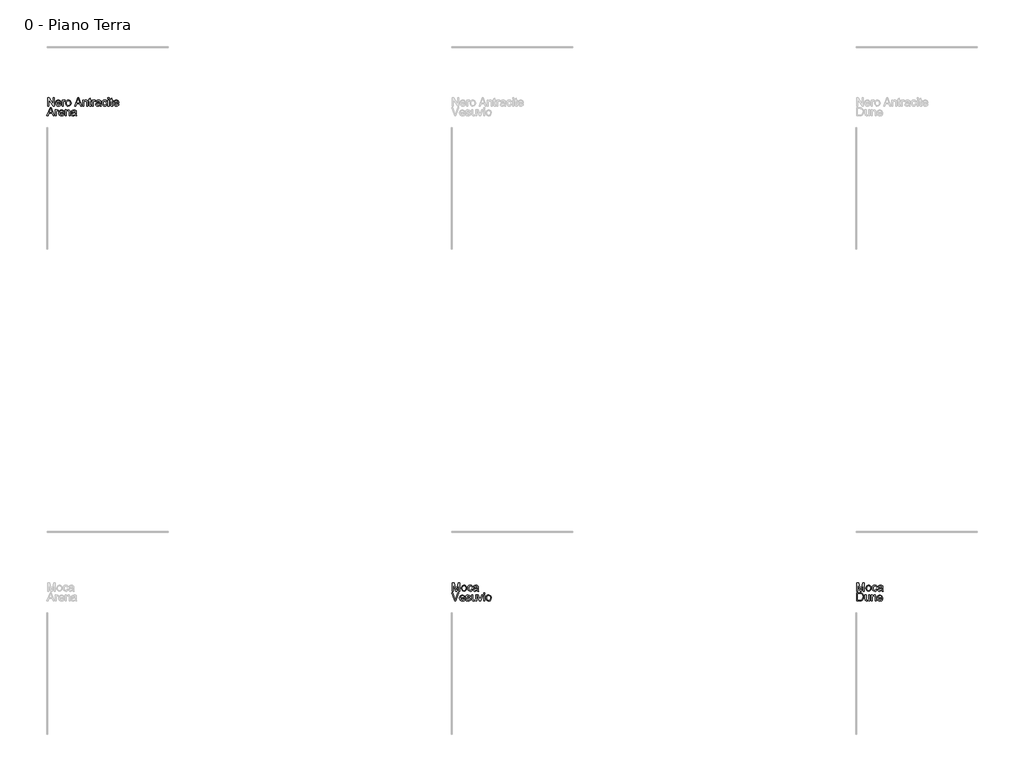
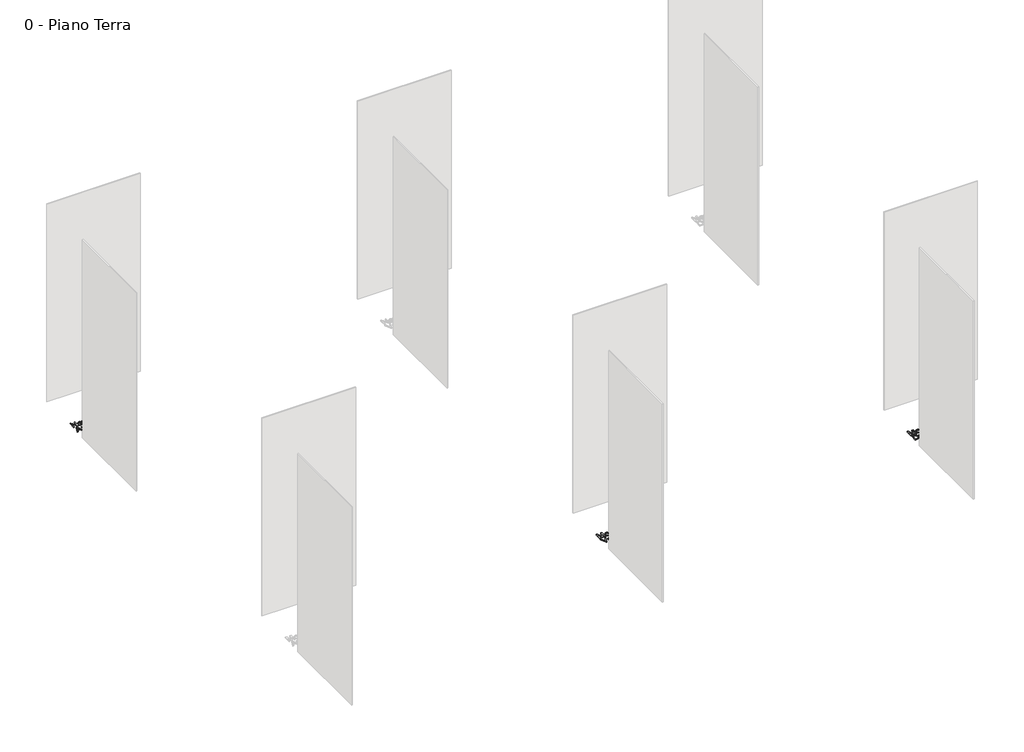
# One storey, part 11 of 35: 3 proxies.
"""IFC4 building model written with IfcOpenShell, lengths in millimetres."""

from ifc_helpers import new_model, si_unit, origin, origin_with_axes, place, context, project, spatial, polyline, outline, extrude, element, save

model = new_model("IFC4")

# Units and contexts
model_context = context("Model", 3, world=origin())
ifc_project = project(units=[si_unit("LENGTHUNIT", "METRE", prefix="MILLI")], contexts=[model_context])

# Site, building, storey
site = spatial("IfcSite", under=ifc_project)
building = spatial("IfcBuilding", under=site)
storey = spatial("IfcBuildingStorey", under=building, Name="0 - Piano Terra", Elevation=0.0)

# Proxies
placement = place(None, origin())
element("IfcBuildingElementProxy", 1, Name="Testo modello 1", ObjectType="Testo modello 1", at=placement, inside=storey, context=model_context, shape_type="SweptSolid", body=[
    extrude(outline(polyline([(-12268.2707509, -24273.7592352), (-12268.2707509, -24173.302925), (-12254.8307954, -24173.302925), (-12202.3462974, -24252.8880633), (-12202.3462974, -24173.302925), (-12189.7892586, -24173.302925), (-12189.7892586, -24273.7592352), (-12203.2292142, -24273.7592352), (-12255.7137122, -24194.1495714), (-12255.7137122, -24273.7592352), (-12268.2707509, -24273.7592352)])), origin_with_axes(), (0.0, 0.0, 1.0), 10.0),
    extrude(outline(polyline([(-12117.7334385, -24251.7844173), (-12105.4216544, -24253.3540472), (-12109.8576981, -24262.6308048), (-12116.9363608, -24269.5653804), (-12126.498227, -24273.8879938), (-12138.3838812, -24275.328865), (-12153.1175551, -24272.8425958), (-12164.4544519, -24265.3837884), (-12171.6833331, -24253.4368206), (-12174.0929602, -24237.4860704), (-12171.6588076, -24220.9988257), (-12164.35635, -24208.6686475), (-12153.1727374, -24200.9799138), (-12139.0951197, -24198.4170025), (-12125.4558947, -24200.9737824), (-12114.5573906, -24208.644122), (-12107.4112829, -24220.9497747), (-12105.0292469, -24237.412494), (-12105.1028233, -24240.7970084), (-12161.5359214, -24240.7970084), (-12159.3623519, -24250.1963934), (-12154.3131716, -24257.1064435), (-12147.0260424, -24261.3554805), (-12138.1386265, -24262.7718262), (-12125.8268424, -24260.1476013), (-12117.7334385, -24251.7844173)]), holes=[polyline([(-12161.5359214, -24228.2399696), (-12117.5862857, -24228.2399696), (-12122.6140063, -24216.8601532), (-12129.934858, -24212.4455693), (-12139.1441706, -24210.9740413), (-12154.6074771, -24215.6706681), (-12159.4727165, -24221.1613069), (-12161.5359214, -24228.2399696)])]), origin_with_axes(), (0.0, 0.0, 1.0), 10.0),
    extrude(outline(polyline([(-12092.4722082, -24273.7592352), (-12092.4722082, -24199.9866324), (-12081.4847992, -24199.9866324), (-12081.4847992, -24210.9004649), (-12073.6857009, -24200.8450237), (-12065.8375517, -24198.4170025), (-12053.231462, -24202.2920262), (-12057.4253168, -24213.5492153), (-12066.2544846, -24210.9740413), (-12073.3546071, -24213.4511134), (-12077.8795557, -24220.318244), (-12079.9151694, -24234.9844729), (-12079.9151694, -24273.7592352), (-12092.4722082, -24273.7592352)])), origin_with_axes(), (0.0, 0.0, 1.0), 10.0),
    extrude(outline(polyline([(-12048.5225725, -24236.8729338), (-12045.8063771, -24219.0858393), (-12037.6577909, -24206.5839828), (-12027.5900869, -24200.4587476), (-12015.5358202, -24198.4170025), (-12002.344185, -24200.9032717), (-11991.8074315, -24208.3620791), (-11984.9004471, -24220.2048137), (-11982.5981189, -24235.8428642), (-11986.6693463, -24258.185564), (-11998.5274093, -24270.8284419), (-12015.5358202, -24275.328865), (-12028.886871, -24272.8517929), (-12039.4113617, -24265.4205766), (-12046.2447698, -24253.3295217), (-12048.5225725, -24236.8729338)]), holes=[polyline([(-12035.9655337, -24236.8484083), (-12034.5123998, -24248.2128963), (-12030.1529982, -24256.3093658), (-12023.5924359, -24261.1562111), (-12015.5358202, -24262.7718262), (-12007.5159927, -24261.1470141), (-12000.9676932, -24256.2725776), (-11996.6082916, -24248.0688092), (-11995.1551577, -24236.4560008), (-11996.6174886, -24225.4226067), (-12001.0044814, -24217.4365017), (-12007.561978, -24212.5896564), (-12015.5358202, -24210.9740413), (-12023.5924359, -24212.583525), (-12030.1529982, -24217.4119762), (-12034.5123998, -24225.4900517), (-12035.9655337, -24236.8484083)])]), origin_with_axes(), (0.0, 0.0, 1.0), 10.0),
    extrude(outline(polyline([(-11939.3597218, -24273.7592352), (-11899.2605843, -24173.302925), (-11888.567481, -24173.302925), (-11848.4683435, -24273.7592352), (-11861.7366208, -24273.7592352), (-11873.2390645, -24242.3666382), (-11914.6135262, -24242.3666382), (-11926.0914445, -24273.7592352), (-11939.3597218, -24273.7592352)]), holes=[polyline([(-11910.0027386, -24229.8095995), (-11877.8253267, -24229.8095995), (-11886.8752238, -24205.1124549), (-11893.9140326, -24185.8599638), (-11900.1680266, -24202.9542138), (-11910.0027386, -24229.8095995)])]), origin_with_axes(), (0.0, 0.0, 1.0), 10.0),
    extrude(outline(polyline([(-11836.6225433, -24273.7592352), (-11836.6225433, -24199.9866324), (-11824.0655045, -24199.9866324), (-11824.0655045, -24210.2873283), (-11814.4637844, -24201.384584), (-11801.3549226, -24198.4170025), (-11789.4968597, -24200.8082355), (-11781.4034558, -24207.0867549), (-11777.6387967, -24216.320593), (-11776.9766091, -24228.4606988), (-11776.9766091, -24273.7592352), (-11789.5336479, -24273.7592352), (-11789.5336479, -24230.152956), (-11790.9806504, -24219.0429197), (-11796.0942101, -24213.1690705), (-11804.7149115, -24210.9740413), (-11818.3388081, -24215.90366), (-11822.6338304, -24223.0467021), (-11824.0655045, -24234.6165909), (-11824.0655045, -24273.7592352), (-11836.6225433, -24273.7592352)])), origin_with_axes(), (0.0, 0.0, 1.0), 10.0),
    extrude(outline(polyline([(-11733.0269734, -24263.286861), (-11731.4573436, -24274.1271171), (-11740.8505972, -24275.328865), (-11751.3720222, -24273.2442004), (-11756.620472, -24267.7750214), (-11758.1410509, -24253.5257254), (-11758.1410509, -24212.5436712), (-11767.55883, -24212.5436712), (-11767.55883, -24199.9866324), (-11758.1410509, -24199.9866324), (-11758.1410509, -24182.0585165), (-11745.5840122, -24174.6763511), (-11745.5840122, -24199.9866324), (-11733.0269734, -24199.9866324), (-11733.0269734, -24212.5436712), (-11745.5840122, -24212.5436712), (-11745.5840122, -24253.1578434), (-11744.9218246, -24259.6325665), (-11742.7758463, -24261.9256976), (-11738.4961524, -24262.7718262), (-11733.0269734, -24263.286861)])), origin_with_axes(), (0.0, 0.0, 1.0), 10.0),
    extrude(outline(polyline([(-11720.4699346, -24273.7592352), (-11720.4699346, -24199.9866324), (-11709.4825257, -24199.9866324), (-11709.4825257, -24210.9004649), (-11701.6834274, -24200.8450237), (-11693.8352782, -24198.4170025), (-11681.2291885, -24202.2920262), (-11685.4230432, -24213.5492153), (-11694.2522111, -24210.9740413), (-11701.3523336, -24213.4511134), (-11705.8772822, -24220.318244), (-11707.9128959, -24234.9844729), (-11707.9128959, -24273.7592352), (-11720.4699346, -24273.7592352)])), origin_with_axes(), (0.0, 0.0, 1.0), 10.0),
    extrude(outline(polyline([(-11626.2921439, -24264.3414561), (-11638.4690379, -24272.8517929), (-11651.9212562, -24275.328865), (-11662.4150901, -24273.8389429), (-11670.1559404, -24269.3691767), (-11674.9292093, -24262.5817539), (-11676.5202989, -24254.1388621), (-11674.1168032, -24244.2060482), (-11667.8014957, -24236.9955611), (-11659.009116, -24232.8752828), (-11648.1443344, -24230.9868218), (-11626.3657203, -24226.6703398), (-11626.2921439, -24223.8744366), (-11629.7502346, -24214.6038103), (-11643.6316486, -24210.9740413), (-11656.3358401, -24213.3897997), (-11662.3936303, -24221.9614502), (-11674.9506691, -24220.3918204), (-11669.5182783, -24208.1290872), (-11658.5799203, -24200.9431256), (-11642.0129678, -24198.4170025), (-11626.7949159, -24200.64882), (-11618.19874, -24206.252889), (-11614.3482418, -24214.7754886), (-11613.7351051, -24225.7628975), (-11613.7351051, -24241.3856196), (-11613.097443, -24263.2010219), (-11610.5958454, -24273.7592352), (-11623.1528842, -24273.7592352), (-11626.2921439, -24264.3414561)]), holes=[polyline([(-11626.2921439, -24239.2273785), (-11646.5501791, -24243.0778768), (-11657.353647, -24245.1134905), (-11662.2464775, -24248.4244284), (-11663.9632602, -24253.2559453), (-11660.2231266, -24260.0494995), (-11649.2479804, -24262.7718262), (-11636.5437888, -24259.7674566), (-11628.352283, -24252.4956558), (-11626.3657203, -24242.7835712), (-11626.2921439, -24239.2273785)])]), origin_with_axes(), (0.0, 0.0, 1.0), 10.0),
    extrude(outline(polyline([(-11549.3802814, -24247.0755278), (-11536.8232426, -24248.6451576), (-11540.324253, -24259.8134419), (-11546.9032093, -24268.253268), (-11555.9408437, -24273.5599657), (-11566.817888, -24275.328865), (-11580.1750701, -24272.8609899), (-11590.6198531, -24265.4573648), (-11597.3612906, -24253.442952), (-11599.6084365, -24237.1427139), (-11595.770201, -24216.2838048), (-11584.0715536, -24202.8806374), (-11566.9895663, -24198.4170025), (-11556.3792364, -24199.9498442), (-11547.8964907, -24204.5483691), (-11541.8111094, -24211.9673227), (-11538.3928725, -24221.9614502), (-11550.9499113, -24223.5310801), (-11556.7747095, -24214.1255637), (-11566.8914644, -24210.9740413), (-11575.0063281, -24212.5252771), (-11581.4473287, -24217.1789843), (-11585.6503805, -24225.1865491), (-11587.0513977, -24236.7993574), (-11585.6810373, -24248.5685155), (-11581.569956, -24256.6036714), (-11575.2454514, -24261.2297875), (-11567.2348209, -24262.7718262), (-11555.4012834, -24258.921328), (-11549.3802814, -24247.0755278)])), origin_with_axes(), (0.0, 0.0, 1.0), 10.0),
    extrude(outline(polyline([(-11525.8358337, -24273.7592352), (-11525.8358337, -24199.9866324), (-11513.278795, -24199.9866324), (-11513.278795, -24273.7592352), (-11525.8358337, -24273.7592352)])), origin_with_axes(), (0.0, 0.0, 1.0), 10.0),
    extrude(outline(polyline([(-11525.8358337, -24185.8599638), (-11525.8358337, -24173.302925), (-11513.278795, -24173.302925), (-11513.278795, -24185.8599638), (-11525.8358337, -24185.8599638)])), origin_with_axes(), (0.0, 0.0, 1.0), 10.0),
    extrude(outline(polyline([(-11467.7595294, -24263.286861), (-11466.1898996, -24274.1271171), (-11475.5831532, -24275.328865), (-11486.1045782, -24273.2442004), (-11491.353028, -24267.7750214), (-11492.873607, -24253.5257254), (-11492.873607, -24212.5436712), (-11502.291386, -24212.5436712), (-11502.291386, -24199.9866324), (-11492.873607, -24199.9866324), (-11492.873607, -24182.0585165), (-11480.3165682, -24174.6763511), (-11480.3165682, -24199.9866324), (-11467.7595294, -24199.9866324), (-11467.7595294, -24212.5436712), (-11480.3165682, -24212.5436712), (-11480.3165682, -24253.1578434), (-11479.6543806, -24259.6325665), (-11477.5084023, -24261.9256976), (-11473.2287084, -24262.7718262), (-11467.7595294, -24263.286861)])), origin_with_axes(), (0.0, 0.0, 1.0), 10.0),
    extrude(outline(polyline([(-11403.5518585, -24251.7844173), (-11391.2400744, -24253.3540472), (-11395.6761181, -24262.6308048), (-11402.7547809, -24269.5653804), (-11412.3166471, -24273.8879938), (-11424.2023012, -24275.328865), (-11438.9359751, -24272.8425958), (-11450.2728719, -24265.3837884), (-11457.5017531, -24253.4368206), (-11459.9113802, -24237.4860704), (-11457.4772277, -24220.9988257), (-11450.1747701, -24208.6686475), (-11438.9911574, -24200.9799138), (-11424.9135397, -24198.4170025), (-11411.2743147, -24200.9737824), (-11400.3758106, -24208.644122), (-11393.2297029, -24220.9497747), (-11390.847667, -24237.412494), (-11390.9212434, -24240.7970084), (-11447.3543414, -24240.7970084), (-11445.180772, -24250.1963934), (-11440.1315916, -24257.1064435), (-11432.8444624, -24261.3554805), (-11423.9570465, -24262.7718262), (-11411.6452624, -24260.1476013), (-11403.5518585, -24251.7844173)]), holes=[polyline([(-11447.3543414, -24228.2399696), (-11403.4047057, -24228.2399696), (-11408.4324263, -24216.8601532), (-11415.753278, -24212.4455693), (-11424.9625906, -24210.9740413), (-11440.4258972, -24215.6706681), (-11445.2911366, -24221.1613069), (-11447.3543414, -24228.2399696)])]), origin_with_axes(), (0.0, 0.0, 1.0), 10.0),
    extrude(outline(polyline([(-12279.9693984, -24395.734053), (-12239.8702609, -24295.2777428), (-12229.1771576, -24295.2777428), (-12189.0780201, -24395.734053), (-12202.3462974, -24395.734053), (-12213.8487411, -24364.3414561), (-12255.2232028, -24364.3414561), (-12266.7011211, -24395.734053), (-12279.9693984, -24395.734053)]), holes=[polyline([(-12250.6124152, -24351.7844173), (-12218.4350033, -24351.7844173), (-12227.4849004, -24327.0872727), (-12234.5237092, -24307.8347816), (-12240.7777032, -24324.9290317), (-12250.6124152, -24351.7844173)])]), origin_with_axes(), (0.0, 0.0, 1.0), 10.0),
    extrude(outline(polyline([(-12177.2322199, -24395.734053), (-12177.2322199, -24321.9614502), (-12166.2448109, -24321.9614502), (-12166.2448109, -24332.8752828), (-12158.4457126, -24322.8198416), (-12150.5975634, -24320.3918204), (-12137.9914737, -24324.2668441), (-12142.1853284, -24335.5240331), (-12151.0144963, -24332.9488592), (-12158.1146188, -24335.4259313), (-12162.6395674, -24342.2930618), (-12164.6751811, -24356.9592907), (-12164.6751811, -24395.734053), (-12177.2322199, -24395.734053)])), origin_with_axes(), (0.0, 0.0, 1.0), 10.0),
    extrude(outline(polyline([(-12078.4926923, -24373.7592352), (-12066.1809082, -24375.328865), (-12070.616952, -24384.6056226), (-12077.6956147, -24391.5401983), (-12087.2574809, -24395.8628117), (-12099.143135, -24397.3036828), (-12113.8768089, -24394.8174137), (-12125.2137057, -24387.3586062), (-12132.4425869, -24375.4116384), (-12134.852214, -24359.4608883), (-12132.4180615, -24342.9736435), (-12125.1156039, -24330.6434653), (-12113.9319912, -24322.9547316), (-12099.8543735, -24320.3918204), (-12086.2151486, -24322.9486003), (-12075.3166445, -24330.6189399), (-12068.1705367, -24342.9245926), (-12065.7885008, -24359.3873119), (-12065.8620772, -24362.7718262), (-12122.2951752, -24362.7718262), (-12120.1216058, -24372.1712112), (-12115.0724254, -24379.0812613), (-12107.7852962, -24383.3302984), (-12098.8978803, -24384.7466441), (-12086.5860962, -24382.1224192), (-12078.4926923, -24373.7592352)]), holes=[polyline([(-12122.2951752, -24350.2147875), (-12078.3455395, -24350.2147875), (-12083.3732601, -24338.8349711), (-12090.6941119, -24334.4203871), (-12099.9034245, -24332.9488592), (-12115.366731, -24337.645486), (-12120.2319704, -24343.1361247), (-12122.2951752, -24350.2147875)])]), origin_with_axes(), (0.0, 0.0, 1.0), 10.0),
    extrude(outline(polyline([(-12053.231462, -24395.734053), (-12053.231462, -24321.9614502), (-12040.6744232, -24321.9614502), (-12040.6744232, -24332.2621461), (-12031.0727032, -24323.3594018), (-12017.9638414, -24320.3918204), (-12006.1057784, -24322.7830534), (-11998.0123745, -24329.0615727), (-11994.2477155, -24338.2954108), (-11993.5855279, -24350.4355167), (-11993.5855279, -24395.734053), (-12006.1425666, -24395.734053), (-12006.1425666, -24352.1277738), (-12007.5895691, -24341.0177376), (-12012.7031289, -24335.1438884), (-12021.3238303, -24332.9488592), (-12034.9477269, -24337.8784779), (-12039.2427491, -24345.02152), (-12040.6744232, -24356.5914087), (-12040.6744232, -24395.734053), (-12053.231462, -24395.734053)])), origin_with_axes(), (0.0, 0.0, 1.0), 10.0),
    extrude(outline(polyline([(-11929.2307042, -24386.3162739), (-11941.4075982, -24394.8266107), (-11954.8598165, -24397.3036828), (-11965.3536504, -24395.8137608), (-11973.0945007, -24391.3439945), (-11977.8677696, -24384.5565717), (-11979.4588592, -24376.1136799), (-11977.0553635, -24366.1808661), (-11970.740056, -24358.9703789), (-11961.9476763, -24354.8501006), (-11951.0828947, -24352.9616397), (-11929.3042806, -24348.6451576), (-11929.2307042, -24345.8492545), (-11932.6887949, -24336.5786282), (-11946.5702089, -24332.9488592), (-11959.2744004, -24335.3646176), (-11965.3321906, -24343.9362681), (-11977.8892294, -24342.3666382), (-11972.4568386, -24330.1039051), (-11961.5184806, -24322.9179434), (-11944.9515281, -24320.3918204), (-11929.7334762, -24322.6236378), (-11921.1373003, -24328.2277069), (-11917.2868021, -24336.7503064), (-11916.6736654, -24347.7377154), (-11916.6736654, -24363.3604374), (-11916.0360033, -24385.1758397), (-11913.5344057, -24395.734053), (-11926.0914445, -24395.734053), (-11929.2307042, -24386.3162739)]), holes=[polyline([(-11929.2307042, -24361.2021964), (-11949.4887394, -24365.0526946), (-11960.2922073, -24367.0883083), (-11965.1850378, -24370.3992463), (-11966.9018205, -24375.2307631), (-11963.1616869, -24382.0243173), (-11952.1865407, -24384.7466441), (-11939.4823491, -24381.7422744), (-11931.2908433, -24374.4704737), (-11929.3042806, -24364.758389), (-11929.2307042, -24361.2021964)])]), origin_with_axes(), (0.0, 0.0, 1.0), 10.0),
])
element("IfcBuildingElementProxy", 2, Name="Testo modello 1", ObjectType="Testo modello 1", at=placement, inside=storey, context=model_context, shape_type="SweptSolid", body=[
    extrude(outline(polyline([(-2268.2707509, -30273.7592352), (-2268.2707509, -30173.302925), (-2246.6638151, -30173.302925), (-2226.1114743, -30244.1079463), (-2221.9666705, -30258.8968025), (-2217.4785101, -30242.881673), (-2197.2695259, -30173.302925), (-2175.66259, -30173.302925), (-2175.66259, -30273.7592352), (-2188.2196288, -30273.7592352), (-2188.2196288, -30185.8599638), (-2213.4563336, -30273.7592352), (-2230.4770073, -30273.7592352), (-2255.7137122, -30185.8599638), (-2255.7137122, -30273.7592352), (-2268.2707509, -30273.7592352)])), origin_with_axes(), (0.0, 0.0, 1.0), 10.0),
    extrude(outline(polyline([(-2158.3966617, -30236.8729338), (-2155.6804663, -30219.0858393), (-2147.5318801, -30206.5839828), (-2137.4641762, -30200.4587476), (-2125.4099095, -30198.4170025), (-2112.2182743, -30200.9032717), (-2101.6815208, -30208.3620791), (-2094.7745363, -30220.2048137), (-2092.4722082, -30235.8428642), (-2096.5434356, -30258.185564), (-2108.4014986, -30270.8284419), (-2125.4099095, -30275.328865), (-2138.7609602, -30272.8517929), (-2149.285451, -30265.4205766), (-2156.118859, -30253.3295217), (-2158.3966617, -30236.8729338)]), holes=[polyline([(-2145.8396229, -30236.8484083), (-2144.386489, -30248.2128963), (-2140.0270874, -30256.3093658), (-2133.4665252, -30261.1562111), (-2125.4099095, -30262.7718262), (-2117.390082, -30261.1470141), (-2110.8417825, -30256.2725776), (-2106.4823808, -30248.0688092), (-2105.0292469, -30236.4560008), (-2106.4915779, -30225.4226067), (-2110.8785707, -30217.4365017), (-2117.4360672, -30212.5896564), (-2125.4099095, -30210.9740413), (-2133.4665252, -30212.583525), (-2140.0270874, -30217.4119762), (-2144.386489, -30225.4900517), (-2145.8396229, -30236.8484083)])]), origin_with_axes(), (0.0, 0.0, 1.0), 10.0),
    extrude(outline(polyline([(-2031.2566442, -30247.0755278), (-2018.6996054, -30248.6451576), (-2022.2006157, -30259.8134419), (-2028.7795721, -30268.253268), (-2037.8172064, -30273.5599657), (-2048.6942507, -30275.328865), (-2062.0514328, -30272.8609899), (-2072.4962158, -30265.4573648), (-2079.2376534, -30253.442952), (-2081.4847992, -30237.1427139), (-2077.6465638, -30216.2838048), (-2065.9479163, -30202.8806374), (-2048.865929, -30198.4170025), (-2038.2555991, -30199.9498442), (-2029.7728535, -30204.5483691), (-2023.6874721, -30211.9673227), (-2020.2692352, -30221.9614502), (-2032.826274, -30223.5310801), (-2038.6510723, -30214.1255637), (-2048.7678271, -30210.9740413), (-2056.8826908, -30212.5252771), (-2063.3236914, -30217.1789843), (-2067.5267432, -30225.1865491), (-2068.9277605, -30236.7993574), (-2067.5574, -30248.5685155), (-2063.4463187, -30256.6036714), (-2057.1218141, -30261.2297875), (-2049.1111837, -30262.7718262), (-2037.2776462, -30258.921328), (-2031.2566442, -30247.0755278)])), origin_with_axes(), (0.0, 0.0, 1.0), 10.0),
    extrude(outline(polyline([(-1960.6233011, -30264.3414561), (-1972.8001951, -30272.8517929), (-1986.2524134, -30275.328865), (-1996.7462473, -30273.8389429), (-2004.4870976, -30269.3691767), (-2009.2603665, -30262.5817539), (-2010.8514562, -30254.1388621), (-2008.4479605, -30244.2060482), (-2002.1326529, -30236.9955611), (-1993.3402732, -30232.8752828), (-1982.4754916, -30230.9868218), (-1960.6968775, -30226.6703398), (-1960.6233011, -30223.8744366), (-1964.0813918, -30214.6038103), (-1977.9628058, -30210.9740413), (-1990.6669974, -30213.3897997), (-1996.7247876, -30221.9614502), (-2009.2818263, -30220.3918204), (-2003.8494355, -30208.1290872), (-1992.9110775, -30200.9431256), (-1976.344125, -30198.4170025), (-1961.1260732, -30200.64882), (-1952.5298972, -30206.252889), (-1948.679399, -30214.7754886), (-1948.0662623, -30225.7628975), (-1948.0662623, -30241.3856196), (-1947.4286002, -30263.2010219), (-1944.9270026, -30273.7592352), (-1957.4840414, -30273.7592352), (-1960.6233011, -30264.3414561)]), holes=[polyline([(-1960.6233011, -30239.2273785), (-1980.8813363, -30243.0778768), (-1991.6848042, -30245.1134905), (-1996.5776348, -30248.4244284), (-1998.2944174, -30253.2559453), (-1994.5542838, -30260.0494995), (-1983.5791376, -30262.7718262), (-1970.874946, -30259.7674566), (-1962.6834403, -30252.4956558), (-1960.6968775, -30242.7835712), (-1960.6233011, -30239.2273785)])]), origin_with_axes(), (0.0, 0.0, 1.0), 10.0),
    extrude(outline(polyline([(-2268.2707509, -30395.734053), (-2268.2707509, -30295.2777428), (-2233.616267, -30295.2777428), (-2215.6881511, -30296.7247454), (-2200.9238203, -30303.910707), (-2189.0289692, -30321.0785334), (-2185.0803691, -30344.9663377), (-2187.7536449, -30365.2366356), (-2194.6207755, -30379.8660763), (-2203.7932999, -30388.977287), (-2215.7985157, -30394.0172704), (-2231.9485353, -30395.734053), (-2268.2707509, -30395.734053)]), holes=[polyline([(-2255.7137122, -30383.1770142), (-2233.4936396, -30383.1770142), (-2217.3313573, -30381.3621297), (-2208.0116801, -30376.2363073), (-2200.3719973, -30363.7651076), (-2197.6374079, -30344.7701339), (-2198.9771114, -30331.0849237), (-2202.9962222, -30320.9804316), (-2216.0315076, -30309.8458699), (-2233.8369962, -30307.8347816), (-2255.7137122, -30307.8347816), (-2255.7137122, -30383.1770142)])]), origin_with_axes(), (0.0, 0.0, 1.0), 10.0),
    extrude(outline(polyline([(-2122.2951752, -30395.734053), (-2122.2951752, -30383.0543869), (-2132.1298872, -30393.7413589), (-2144.9567061, -30397.3036828), (-2156.7657182, -30394.8020853), (-2164.908173, -30388.5235659), (-2168.6483066, -30379.2774651), (-2169.3840706, -30367.6033431), (-2169.3840706, -30321.9614502), (-2156.8270319, -30321.9614502), (-2156.8270319, -30361.6927057), (-2156.0667424, -30374.4949991), (-2151.1003355, -30382.0120546), (-2141.74387, -30384.7466441), (-2131.2592332, -30381.9507409), (-2124.3307889, -30374.3355836), (-2122.2951752, -30360.3438051), (-2122.2951752, -30321.9614502), (-2109.7381365, -30321.9614502), (-2109.7381365, -30395.734053), (-2122.2951752, -30395.734053)])), origin_with_axes(), (0.0, 0.0, 1.0), 10.0),
    extrude(outline(polyline([(-2092.4722082, -30395.734053), (-2092.4722082, -30321.9614502), (-2079.9151694, -30321.9614502), (-2079.9151694, -30332.2621461), (-2070.3134493, -30323.3594018), (-2057.2045876, -30320.3918204), (-2045.3465246, -30322.7830534), (-2037.2531207, -30329.0615727), (-2033.4884616, -30338.2954108), (-2032.826274, -30350.4355167), (-2032.826274, -30395.734053), (-2045.3833128, -30395.734053), (-2045.3833128, -30352.1277738), (-2046.8303153, -30341.0177376), (-2051.943875, -30335.1438884), (-2060.5645764, -30332.9488592), (-2074.188473, -30337.8784779), (-2078.4834953, -30345.02152), (-2079.9151694, -30356.5914087), (-2079.9151694, -30395.734053), (-2092.4722082, -30395.734053)])), origin_with_axes(), (0.0, 0.0, 1.0), 10.0),
    extrude(outline(polyline([(-1963.9097136, -30373.7592352), (-1951.5979295, -30375.328865), (-1956.0339732, -30384.6056226), (-1963.1126359, -30391.5401983), (-1972.6745021, -30395.8628117), (-1984.5601562, -30397.3036828), (-1999.2938302, -30394.8174137), (-2010.630727, -30387.3586062), (-2017.8596082, -30375.4116384), (-2020.2692352, -30359.4608883), (-2017.8350827, -30342.9736435), (-2010.5326251, -30330.6434653), (-1999.3490125, -30322.9547316), (-1985.2713948, -30320.3918204), (-1971.6321698, -30322.9486003), (-1960.7336657, -30330.6189399), (-1953.5875579, -30342.9245926), (-1951.205522, -30359.3873119), (-1951.2790984, -30362.7718262), (-2007.7121965, -30362.7718262), (-2005.538627, -30372.1712112), (-2000.4894466, -30379.0812613), (-1993.2023174, -30383.3302984), (-1984.3149016, -30384.7466441), (-1972.0031175, -30382.1224192), (-1963.9097136, -30373.7592352)]), holes=[polyline([(-2007.7121965, -30350.2147875), (-1963.7625608, -30350.2147875), (-1968.7902814, -30338.8349711), (-1976.1111331, -30334.4203871), (-1985.3204457, -30332.9488592), (-2000.7837522, -30337.645486), (-2005.6489916, -30343.1361247), (-2007.7121965, -30350.2147875)])]), origin_with_axes(), (0.0, 0.0, 1.0), 10.0),
])
element("IfcBuildingElementProxy", 3, Name="Testo modello 1", ObjectType="Testo modello 1", at=placement, inside=storey, context=model_context, shape_type="SweptSolid", body=[
    extrude(outline(polyline([(-7268.2707509, -30273.7592352), (-7268.2707509, -30173.302925), (-7246.6638151, -30173.302925), (-7226.1114743, -30244.1079463), (-7221.9666705, -30258.8968025), (-7217.4785101, -30242.881673), (-7197.2695259, -30173.302925), (-7175.66259, -30173.302925), (-7175.66259, -30273.7592352), (-7188.2196288, -30273.7592352), (-7188.2196288, -30185.8599638), (-7213.4563336, -30273.7592352), (-7230.4770073, -30273.7592352), (-7255.7137122, -30185.8599638), (-7255.7137122, -30273.7592352), (-7268.2707509, -30273.7592352)])), origin_with_axes(), (0.0, 0.0, 1.0), 10.0),
    extrude(outline(polyline([(-7158.3966617, -30236.8729338), (-7155.6804663, -30219.0858393), (-7147.5318801, -30206.5839828), (-7137.4641762, -30200.4587476), (-7125.4099095, -30198.4170025), (-7112.2182743, -30200.9032717), (-7101.6815208, -30208.3620791), (-7094.7745363, -30220.2048137), (-7092.4722082, -30235.8428642), (-7096.5434356, -30258.185564), (-7108.4014986, -30270.8284419), (-7125.4099095, -30275.328865), (-7138.7609602, -30272.8517929), (-7149.285451, -30265.4205766), (-7156.118859, -30253.3295217), (-7158.3966617, -30236.8729338)]), holes=[polyline([(-7145.8396229, -30236.8484083), (-7144.386489, -30248.2128963), (-7140.0270874, -30256.3093658), (-7133.4665252, -30261.1562111), (-7125.4099095, -30262.7718262), (-7117.390082, -30261.1470141), (-7110.8417825, -30256.2725776), (-7106.4823808, -30248.0688092), (-7105.0292469, -30236.4560008), (-7106.4915779, -30225.4226067), (-7110.8785707, -30217.4365017), (-7117.4360672, -30212.5896564), (-7125.4099095, -30210.9740413), (-7133.4665252, -30212.583525), (-7140.0270874, -30217.4119762), (-7144.386489, -30225.4900517), (-7145.8396229, -30236.8484083)])]), origin_with_axes(), (0.0, 0.0, 1.0), 10.0),
    extrude(outline(polyline([(-7031.2566442, -30247.0755278), (-7018.6996054, -30248.6451576), (-7022.2006157, -30259.8134419), (-7028.7795721, -30268.253268), (-7037.8172064, -30273.5599657), (-7048.6942507, -30275.328865), (-7062.0514328, -30272.8609899), (-7072.4962158, -30265.4573648), (-7079.2376534, -30253.442952), (-7081.4847992, -30237.1427139), (-7077.6465638, -30216.2838048), (-7065.9479163, -30202.8806374), (-7048.865929, -30198.4170025), (-7038.2555991, -30199.9498442), (-7029.7728535, -30204.5483691), (-7023.6874721, -30211.9673227), (-7020.2692352, -30221.9614502), (-7032.826274, -30223.5310801), (-7038.6510723, -30214.1255637), (-7048.7678271, -30210.9740413), (-7056.8826908, -30212.5252771), (-7063.3236914, -30217.1789843), (-7067.5267432, -30225.1865491), (-7068.9277605, -30236.7993574), (-7067.5574, -30248.5685155), (-7063.4463187, -30256.6036714), (-7057.1218141, -30261.2297875), (-7049.1111837, -30262.7718262), (-7037.2776462, -30258.921328), (-7031.2566442, -30247.0755278)])), origin_with_axes(), (0.0, 0.0, 1.0), 10.0),
    extrude(outline(polyline([(-6960.6233011, -30264.3414561), (-6972.8001951, -30272.8517929), (-6986.2524134, -30275.328865), (-6996.7462473, -30273.8389429), (-7004.4870976, -30269.3691767), (-7009.2603665, -30262.5817539), (-7010.8514562, -30254.1388621), (-7008.4479605, -30244.2060482), (-7002.1326529, -30236.9955611), (-6993.3402732, -30232.8752828), (-6982.4754916, -30230.9868218), (-6960.6968775, -30226.6703398), (-6960.6233011, -30223.8744366), (-6964.0813918, -30214.6038103), (-6977.9628058, -30210.9740413), (-6990.6669974, -30213.3897997), (-6996.7247876, -30221.9614502), (-7009.2818263, -30220.3918204), (-7003.8494355, -30208.1290872), (-6992.9110775, -30200.9431256), (-6976.344125, -30198.4170025), (-6961.1260732, -30200.64882), (-6952.5298972, -30206.252889), (-6948.679399, -30214.7754886), (-6948.0662623, -30225.7628975), (-6948.0662623, -30241.3856196), (-6947.4286002, -30263.2010219), (-6944.9270026, -30273.7592352), (-6957.4840414, -30273.7592352), (-6960.6233011, -30264.3414561)]), holes=[polyline([(-6960.6233011, -30239.2273785), (-6980.8813363, -30243.0778768), (-6991.6848042, -30245.1134905), (-6996.5776348, -30248.4244284), (-6998.2944174, -30253.2559453), (-6994.5542838, -30260.0494995), (-6983.5791376, -30262.7718262), (-6970.874946, -30259.7674566), (-6962.6834403, -30252.4956558), (-6960.6968775, -30242.7835712), (-6960.6233011, -30239.2273785)])]), origin_with_axes(), (0.0, 0.0, 1.0), 10.0),
    extrude(outline(polyline([(-7238.5949366, -30395.734053), (-7278.5714468, -30295.2777428), (-7265.1314912, -30295.2777428), (-7238.3742074, -30367.652394), (-7232.9540794, -30383.9618292), (-7227.6075277, -30367.652394), (-7200.7766675, -30295.2777428), (-7187.336712, -30295.2777428), (-7225.620965, -30395.734053), (-7238.5949366, -30395.734053)])), origin_with_axes(), (0.0, 0.0, 1.0), 10.0),
    extrude(outline(polyline([(-7125.5815877, -30373.7592352), (-7113.2698036, -30375.328865), (-7117.7058473, -30384.6056226), (-7124.7845101, -30391.5401983), (-7134.3463763, -30395.8628117), (-7146.2320304, -30397.3036828), (-7160.9657043, -30394.8174137), (-7172.3026011, -30387.3586062), (-7179.5314823, -30375.4116384), (-7181.9411094, -30359.4608883), (-7179.5069569, -30342.9736435), (-7172.2044993, -30330.6434653), (-7161.0208866, -30322.9547316), (-7146.9432689, -30320.3918204), (-7133.3040439, -30322.9486003), (-7122.4055398, -30330.6189399), (-7115.2594321, -30342.9245926), (-7112.8773962, -30359.3873119), (-7112.9509726, -30362.7718262), (-7169.3840706, -30362.7718262), (-7167.2105012, -30372.1712112), (-7162.1613208, -30379.0812613), (-7154.8741916, -30383.3302984), (-7145.9867757, -30384.7466441), (-7133.6749916, -30382.1224192), (-7125.5815877, -30373.7592352)]), holes=[polyline([(-7169.3840706, -30350.2147875), (-7125.4344349, -30350.2147875), (-7130.4621555, -30338.8349711), (-7137.7830072, -30334.4203871), (-7146.9923198, -30332.9488592), (-7162.4556264, -30337.645486), (-7167.3208658, -30343.1361247), (-7169.3840706, -30350.2147875)])]), origin_with_axes(), (0.0, 0.0, 1.0), 10.0),
    extrude(outline(polyline([(-7105.0292469, -30373.7592352), (-7092.4722082, -30372.1896053), (-7086.6596726, -30381.5092825), (-7073.3423444, -30384.7466441), (-7060.540051, -30381.7790626), (-7056.3707217, -30374.8138302), (-7060.5645764, -30369.1729729), (-7073.4894972, -30365.5922549), (-7092.3986318, -30359.4486255), (-7100.6514512, -30352.2749266), (-7103.4596171, -30342.145909), (-7101.2032742, -30332.7894436), (-7095.0473821, -30325.6402702), (-7087.0643428, -30321.924662), (-7076.2608749, -30320.3918204), (-7060.9815094, -30322.8566298), (-7051.2694247, -30329.5275566), (-7046.9529426, -30340.7970084), (-7059.5099814, -30342.3666382), (-7064.2311337, -30335.438194), (-7075.2798563, -30332.9488592), (-7087.2973348, -30335.3278294), (-7090.9025783, -30340.8705848), (-7089.4065249, -30344.5248793), (-7084.7221608, -30347.296257), (-7073.9064301, -30349.9695328), (-7055.4755422, -30355.8801702), (-7046.9161544, -30362.5756225), (-7043.8136829, -30373.489455), (-7047.4557147, -30385.5069335), (-7057.964877, -30394.2257368), (-7073.5140227, -30397.3036828), (-7086.1752947, -30395.8198921), (-7095.4152641, -30391.36852), (-7101.5834189, -30383.9986174), (-7105.0292469, -30373.7592352)])), origin_with_axes(), (0.0, 0.0, 1.0), 10.0),
    extrude(outline(polyline([(-6982.5981189, -30395.734053), (-6982.5981189, -30383.0543869), (-6992.4328309, -30393.7413589), (-7005.2596498, -30397.3036828), (-7017.0686619, -30394.8020853), (-7025.2111167, -30388.5235659), (-7028.9512503, -30379.2774651), (-7029.6870143, -30367.6033431), (-7029.6870143, -30321.9614502), (-7017.1299756, -30321.9614502), (-7017.1299756, -30361.6927057), (-7016.3696861, -30374.4949991), (-7011.4032792, -30382.0120546), (-7002.0468137, -30384.7466441), (-6991.5621769, -30381.9507409), (-6984.6337326, -30374.3355836), (-6982.5981189, -30360.3438051), (-6982.5981189, -30321.9614502), (-6970.0410802, -30321.9614502), (-6970.0410802, -30395.734053), (-6982.5981189, -30395.734053)])), origin_with_axes(), (0.0, 0.0, 1.0), 10.0),
    extrude(outline(polyline([(-6934.6753577, -30395.734053), (-6960.6233011, -30321.9614502), (-6947.3304983, -30321.9614502), (-6931.6096744, -30366.1563406), (-6926.8762594, -30381.0187732), (-6922.2409463, -30366.9902064), (-6906.4220205, -30321.9614502), (-6893.1292177, -30321.9614502), (-6918.75833, -30395.734053), (-6934.6753577, -30395.734053)])), origin_with_axes(), (0.0, 0.0, 1.0), 10.0),
    extrude(outline(polyline([(-6882.1418088, -30307.8347816), (-6882.1418088, -30295.2777428), (-6869.58477, -30295.2777428), (-6869.58477, -30307.8347816), (-6882.1418088, -30307.8347816)])), origin_with_axes(), (0.0, 0.0, 1.0), 10.0),
    extrude(outline(polyline([(-6882.1418088, -30395.734053), (-6882.1418088, -30321.9614502), (-6869.58477, -30321.9614502), (-6869.58477, -30395.734053), (-6882.1418088, -30395.734053)])), origin_with_axes(), (0.0, 0.0, 1.0), 10.0),
    extrude(outline(polyline([(-6853.8884716, -30358.8477516), (-6851.1722762, -30341.0606571), (-6843.02369, -30328.5588007), (-6832.955986, -30322.4335655), (-6820.9017193, -30320.3918204), (-6807.7100841, -30322.8780895), (-6797.1733306, -30330.336897), (-6790.2663462, -30342.1796315), (-6787.964018, -30357.817682), (-6792.0352454, -30380.1603819), (-6803.8933084, -30392.8032598), (-6820.9017193, -30397.3036828), (-6834.2527701, -30394.8266107), (-6844.7772608, -30387.3953944), (-6851.6106689, -30375.3043395), (-6853.8884716, -30358.8477516)]), holes=[polyline([(-6841.3314328, -30358.8232261), (-6839.8782989, -30370.1877141), (-6835.5188973, -30378.2841837), (-6828.958335, -30383.131029), (-6820.9017193, -30384.7466441), (-6812.8818918, -30383.1218319), (-6806.3335923, -30378.2473955), (-6801.9741907, -30370.043627), (-6800.5210568, -30358.4308187), (-6801.9833877, -30347.3974245), (-6806.3703805, -30339.4113195), (-6812.9278771, -30334.5644742), (-6820.9017193, -30332.9488592), (-6828.958335, -30334.5583429), (-6835.5188973, -30339.3867941), (-6839.8782989, -30347.4648695), (-6841.3314328, -30358.8232261)])]), origin_with_axes(), (0.0, 0.0, 1.0), 10.0),
])

save(model, "model.ifc")
